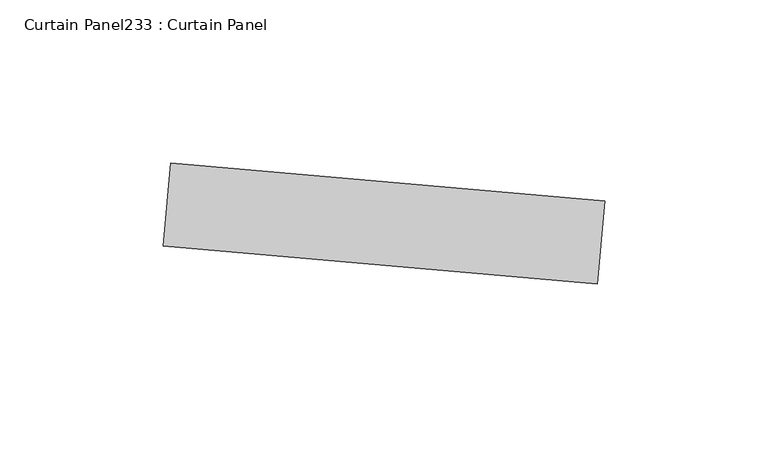
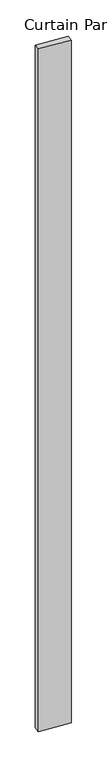
"""IFC4 building model written with IfcOpenShell, lengths in millimetres: plate geometry, Curtain Panel233 : Curtain Panel."""

from ifc_helpers import new_model, si_unit, frame, origin, place, context, project, spatial, polyline, outline, extrude, source, transform, mapped, element, save


def curtain_panel233_curtain_panel_1a66759e(model_context):
    return source(origin(), model_context, "Body", "SweptSolid", [
        extrude(outline(polyline([(640557.8530572, 2205.924913), (640425.0104942, 2217.5471313), (640427.22425, 2242.8504766), (640560.066813, 2231.2282583), (640557.8530572, 2205.924913)])), frame((0.0, 0.0, 4959.7989371), z_axis=(0.0, 0.0, 1.0), x_axis=(1.0, 0.0, 0.0)), (0.0, 0.0, 1.0), 3048.0),
    ])


if __name__ == "__main__":
    model = new_model("IFC4")
    model_context = context("Model", 3, world=origin())
    ifc_project = project(units=[si_unit("LENGTHUNIT", "METRE", prefix="MILLI")], contexts=[model_context])
    site = spatial("IfcSite", under=ifc_project)
    building = spatial("IfcBuilding", under=site)
    placement = place(None, origin())
    curtain_panel233_curtain_panel_shape = curtain_panel233_curtain_panel_1a66759e(model_context)
    element("IfcPlate", 1, ObjectType="Curtain Panel233 : Curtain Panel", at=placement, inside=building, context=model_context, shape_type="MappedRepresentation", body=[
        mapped(curtain_panel233_curtain_panel_shape, transform((0.0, 0.0, 0.0), x_axis=(1.0, 0.0, 0.0), y_axis=(0.0, 1.0, 0.0), z_axis=(0.0, 0.0, 1.0))),
    ])
    save(model, "model.ifc")
